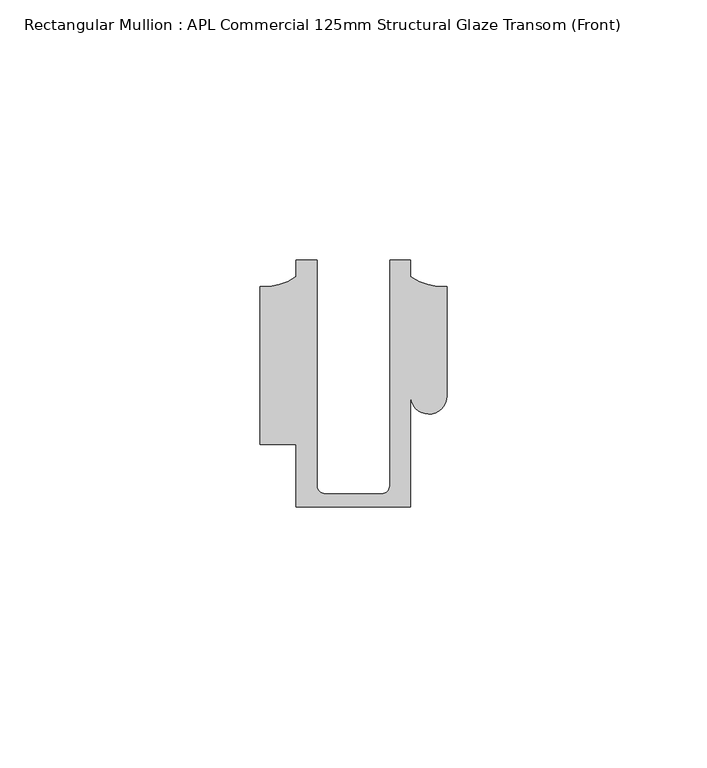
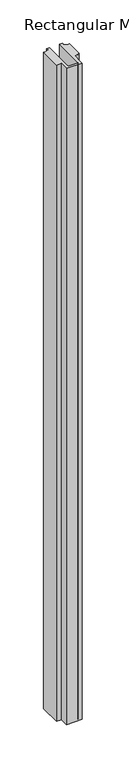
"""IFC4 building model written with IfcOpenShell, lengths in millimetres: member geometry, Rectangular Mullion : APL Commercial 125mm Structural Glaze Transom (Front)."""

from ifc_helpers import new_model, si_unit, frame, origin, place, context, project, spatial, polyline, circle_curve, source, transform, mapped, element, save
from ifc_brep_helpers import plane_surface, cylinder_surface, revolved_surface, advanced_brep


def rectangular_mullion_apl_commercial_125mm_structural_glaze_16c437fd(model_context):
    return source(origin(), model_context, "Body", "AdvancedBrep", [
        advanced_brep(
        [(-11.0000151, -27.0, 0.0), (11.001071, -27.0, 0.0), (11.001071, -5.5848769, 0.0), (17.9999091, -5.6750512, 0.0), (17.9999542, 15.3797475, 0.0), (11.0000151, 17.3125212, 0.0), (11.0000151, 20.5, 0.0), (6.9999849, 20.5, 0.0), (6.9999849, -22.9973451, 0.0), (5.4999872, -24.5, 0.0), (-5.4999873, -24.5, 0.0), (-6.9999853, -22.9976091, 0.0), (-6.9999853, 20.5, 0.0), (-10.9999994, 20.5, 0.0), (-10.9999994, 17.3125325, 0.0), (-17.9999542, 15.3797475, 0.0), (-17.9999542, -15.0006281, 0.0), (-11.0000151, -15.0006281, 0.0), (-11.0000151, -27.0, -960.2963594), (-11.0000151, -15.0006281, -960.2963594), (-17.9999542, -15.0006281, -960.2963594), (-17.9999542, 15.3797475, -960.2963594), (-10.9999994, 17.3125325, -960.2963594), (-10.9999994, 20.5, -960.2963594), (-6.9999853, 20.5, -960.2963594), (-6.9999853, -22.9976091, -960.2963594), (-5.4999873, -24.5, -960.2963594), (5.4999872, -24.5, -960.2963594), (6.9999849, -22.9973451, -960.2963594), (6.9999849, 20.5, -960.2963594), (11.0000151, 20.5, -960.2963594), (11.0000151, 17.3125212, -960.2963594), (17.9999542, 15.3797475, -960.2963594), (17.9999542, -5.684606, -960.2963594), (11.001071, -5.5848769, -960.2963594), (11.001071, -27.0, -960.2963594)],
        [
            (0, 1),
            (1, 2),
            (2, 3, circle_curve(frame((14.4999091, -5.6750512, 0.0), z_axis=(0.0, 0.0, 1.0), x_axis=(-0.9999826028573957, 0.005898642432633649, 0.0)), 3.5)),
            (3, 4),
            (4, 5, circle_curve(frame((17.109817, 25.7981812, 0.0), z_axis=(0.0, 0.0, -1.0), x_axis=(0.0, -1.0, 0.0)), 10.4563907)),
            (5, 6),
            (6, 7),
            (7, 8),
            (8, 9, circle_curve(frame((5.4999872, -23.0, 0.0), z_axis=(0.0, 0.0, -1.0), x_axis=(0.9999999999999986, 5.463622857820516e-08, 0.0)), 1.5)),
            (9, 10),
            (10, 11, circle_curve(frame((-5.4999873, -23.0, 0.0), z_axis=(0.0, 0.0, -1.0), x_axis=(2.7320010112268853e-08, -0.9999999999999997, 0.0)), 1.5)),
            (11, 12),
            (12, 13),
            (13, 14),
            (14, 15, circle_curve(frame((-17.109817, 25.7981812, 0.0), z_axis=(0.0, 0.0, -1.0), x_axis=(0.0, -1.0, 0.0)), 10.4563907)),
            (15, 16),
            (16, 17),
            (17, 0),
            (18, 19),
            (19, 20),
            (20, 21),
            (21, 22, circle_curve(frame((-17.109817, 25.7981812, -960.2963594), z_axis=(0.0, 0.0, 1.0), x_axis=(0.0, -1.0, 0.0)), 10.4563907)),
            (22, 23),
            (23, 24),
            (24, 25),
            (25, 26, circle_curve(frame((-5.4999873, -23.0, -960.2963594), z_axis=(0.0, 0.0, 1.0), x_axis=(2.7320010112268853e-08, -0.9999999999999997, 0.0)), 1.5)),
            (26, 27),
            (27, 28, circle_curve(frame((5.4999872, -23.0, -960.2963594), z_axis=(0.0, 0.0, 1.0), x_axis=(0.9999999999999986, 5.463622857820516e-08, 0.0)), 1.5)),
            (28, 29),
            (29, 30),
            (30, 31),
            (31, 32, circle_curve(frame((17.109817, 25.7981812, -960.2963594), z_axis=(0.0, 0.0, 1.0), x_axis=(0.0, -1.0, 0.0)), 10.4563907)),
            (32, 33),
            (33, 34, circle_curve(frame((14.4999091, -5.6750512, -960.2963594), z_axis=(0.0, 0.0, -1.0), x_axis=(-0.9999826028573957, 0.005898642432633649, 0.0)), 3.5)),
            (34, 35),
            (35, 18),
            (0, 18),
            (35, 1),
            (34, 2),
            (33, 3),
            (32, 4),
            (31, 5),
            (30, 6),
            (29, 7),
            (28, 8),
            (27, 9),
            (26, 10),
            (25, 11),
            (24, 12),
            (23, 13),
            (22, 14),
            (21, 15),
            (20, 16),
            (19, 17),
        ],
        [
            plane_surface(frame((0.0, -29.1551636, 0.0), z_axis=(0.0, 0.0, 1.0), x_axis=(-1.0, 0.0, 0.0))),
            plane_surface(frame((0.0, -29.1551636, -960.2963594), z_axis=(0.0, 0.0, -1.0), x_axis=(-1.0, 0.0, 0.0))),
            plane_surface(frame((-11.0000151, -27.0, 0.0), z_axis=(0.0, -1.0, 0.0), x_axis=(0.0, 0.0, -1.0))),
            plane_surface(frame((11.001071, -27.0, 0.0), z_axis=(1.0, 0.0, 0.0), x_axis=(0.0, 0.0, -1.0))),
            cylinder_surface(frame((14.4999091, -5.6750512, 0.0), z_axis=(0.0, 0.0, 1.0), x_axis=(-0.9999826028573957, 0.005898642432633649, 0.0)), 3.5),
            plane_surface(frame((17.9999542, -5.684606, 0.0), z_axis=(1.0, 0.0, 0.0), x_axis=(0.0, 0.0, -1.0))),
            revolved_surface(polyline([(17.109817, 15.341790499999998, -960.2963594), (17.109817, 15.341790499999998, 0.0)]), (17.109817, 25.7981812, 0.0), (0.0, 0.0, -1.0)),
            plane_surface(frame((11.0000151, 17.3125212, 0.0), z_axis=(1.0, 0.0, 0.0), x_axis=(0.0, 0.0, -1.0))),
            plane_surface(frame((11.0000151, 20.5, 0.0), z_axis=(0.0, 1.0, 0.0), x_axis=(0.0, 0.0, -1.0))),
            plane_surface(frame((6.9999849, 20.5, 0.0), z_axis=(-1.0, 0.0, 0.0), x_axis=(0.0, 0.0, -1.0))),
            revolved_surface(polyline([(6.999987199999998, -22.999999918045656, -960.2963594), (6.999987199999998, -22.999999918045656, 0.0)]), (5.4999872, -23.0, 0.0), (0.0, 0.0, -1.0)),
            plane_surface(frame((5.4999872, -24.5, 0.0), z_axis=(0.0, 1.0, 0.0), x_axis=(0.0, 0.0, -1.0))),
            revolved_surface(polyline([(-5.499987259019985, -24.5, -960.2963594), (-5.499987259019985, -24.5, 0.0)]), (-5.4999873, -23.0, 0.0), (0.0, 0.0, -1.0)),
            plane_surface(frame((-6.9999853, -22.9976091, 0.0), z_axis=(1.0, 0.0, 0.0), x_axis=(0.0, 0.0, -1.0))),
            plane_surface(frame((-6.9999853, 20.5, 0.0), z_axis=(0.0, 1.0, 0.0), x_axis=(0.0, 0.0, -1.0))),
            plane_surface(frame((-10.9999994, 20.5, 0.0), z_axis=(-1.0, 0.0, 0.0), x_axis=(0.0, 0.0, -1.0))),
            revolved_surface(polyline([(-17.109817, 15.341790499999998, -960.2963594), (-17.109817, 15.341790499999998, 0.0)]), (-17.109817, 25.7981812, 0.0), (0.0, 0.0, -1.0)),
            plane_surface(frame((-17.9999542, 15.3797475, 0.0), z_axis=(-1.0, 0.0, 0.0), x_axis=(0.0, 0.0, -1.0))),
            plane_surface(frame((-17.9999542, -15.0006281, 0.0), z_axis=(0.0, -1.0, 0.0), x_axis=(0.0, 0.0, -1.0))),
            plane_surface(frame((-11.0000151, -15.0006281, 0.0), z_axis=(-1.0, 0.0, 0.0), x_axis=(0.0, 0.0, -1.0))),
        ],
        [
            (0, [[1, 2, 3, 4, 5, 6, 7, 8, 9, 10, 11, 12, 13, 14, 15, 16, 17, 18]]),
            (1, [[19, 20, 21, 22, 23, 24, 25, 26, 27, 28, 29, 30, 31, 32, 33, 34, 35, 36]]),
            (2, [[-1, 37, -36, 38]]),
            (3, [[-2, -38, -35, 39]]),
            (4, [[-3, -39, -34, 40]]),
            (5, [[-4, -40, -33, 41]]),
            (6, [[-5, -41, -32, 42]]),
            (7, [[-6, -42, -31, 43]]),
            (8, [[-7, -43, -30, 44]]),
            (9, [[-8, -44, -29, 45]]),
            (10, [[-9, -45, -28, 46]]),
            (11, [[-10, -46, -27, 47]]),
            (12, [[-11, -47, -26, 48]]),
            (13, [[-12, -48, -25, 49]]),
            (14, [[-13, -49, -24, 50]]),
            (15, [[-14, -50, -23, 51]]),
            (16, [[-15, -51, -22, 52]]),
            (17, [[-16, -52, -21, 53]]),
            (18, [[-17, -53, -20, 54]]),
            (19, [[-18, -54, -19, -37]]),
        ],
    ),
    ])


if __name__ == "__main__":
    model = new_model("IFC4")
    model_context = context("Model", 3, world=origin())
    ifc_project = project(units=[si_unit("LENGTHUNIT", "METRE", prefix="MILLI")], contexts=[model_context])
    site = spatial("IfcSite", under=ifc_project)
    building = spatial("IfcBuilding", under=site)
    placement = place(None, origin())
    rectangular_mullion_apl_commercial_125mm_structural_glaze_shape = rectangular_mullion_apl_commercial_125mm_structural_glaze_16c437fd(model_context)
    element("IfcMember", 1, ObjectType="Rectangular Mullion : APL Commercial 125mm Structural Glaze Transom (Front)", at=placement, inside=building, context=model_context, shape_type="MappedRepresentation", body=[
        mapped(rectangular_mullion_apl_commercial_125mm_structural_glaze_shape, transform((0.0, 0.0, 0.0), x_axis=(1.0, 0.0, 0.0), y_axis=(0.0, 1.0, 0.0), z_axis=(0.0, 0.0, 1.0))),
    ])
    save(model, "model.ifc")
